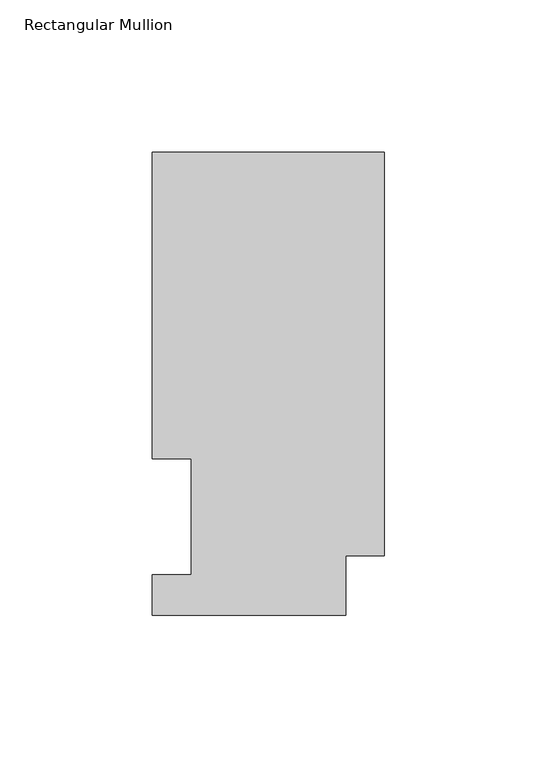
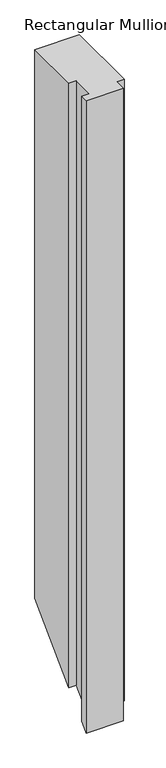
"""IFC4 building model written with IfcOpenShell, lengths in millimetres: member geometry, Rectangular Mullion."""

import ifcopenshell
import ifcopenshell.guid

model = None  # the IFC model being written
_history = None  # IfcOwnerHistory: only IFC2X3 demands one
_inside = {}  # id of a spatial element -> (the spatial element, [elements in it])
_under = {}  # id of a project, library or spatial element -> (it, [spatial elements below it])
_declared = {}  # id of a project -> (the project, [libraries it declares])
_typed = {}  # id of a type object -> (the type object, [elements of that type])
_made_of = {}  # id of a material, layer set ... -> (it, [elements and type objects made of it])


def new_model(schema):
    """Start an empty IFC model of exactly this schema.

    Asked for "IFC4X3", IfcOpenShell would pick the latest addendum, in which some entities
    have other attributes; the version numbers below select the first issue.
    IFC2X3 requires an IfcOwnerHistory on every rooted entity: one is made here for all.
    """
    global model, _history
    if schema == "IFC4X3":
        model = ifcopenshell.file(schema_version=(4, 3, 0, 0))
    else:
        model = ifcopenshell.file(schema=schema)
    _inside.clear()
    _under.clear()
    _declared.clear()
    _typed.clear()
    _made_of.clear()
    _history = None
    if model.schema == "IFC2X3":
        org = make("IfcOrganization", Name="unknown")
        user = make(
            "IfcPersonAndOrganization",
            ThePerson=make("IfcPerson", FamilyName="unknown"),
            TheOrganization=org,
        )
        app = make(
            "IfcApplication",
            ApplicationDeveloper=org,
            Version="unknown",
            ApplicationFullName="unknown",
            ApplicationIdentifier="unknown",
        )
        _history = make(
            "IfcOwnerHistory",
            OwningUser=user,
            OwningApplication=app,
            ChangeAction="ADDED",
            CreationDate=0,
        )
    return model


def make(cls, **values):
    """One entity of the class cls with the attributes given. An attribute that is None is left unset."""
    return model.create_entity(
        cls, **{name: value for name, value in values.items() if value is not None}
    )


def rooted(cls, **values):
    """An entity with a GlobalId (a new one), such as an element, a storey or a relation."""
    return make(cls, GlobalId=ifcopenshell.guid.new(), OwnerHistory=_history, **values)


def si_unit(unit_type, name, prefix=None):
    """IfcSIUnit, for example si_unit("LENGTHUNIT", "METRE", prefix="MILLI")."""
    return make("IfcSIUnit", UnitType=unit_type, Prefix=prefix, Name=name)


def assignment(units):
    """IfcUnitAssignment: the units of a project."""
    return None if units is None else make("IfcUnitAssignment", Units=units)


def point(xyz):
    """IfcCartesianPoint."""
    return None if xyz is None else make("IfcCartesianPoint", Coordinates=xyz)


def direction(xyz):
    """IfcDirection."""
    return None if xyz is None else make("IfcDirection", DirectionRatios=xyz)


def frame(location, z_axis=None, x_axis=None):
    """IfcAxis2Placement3D, a coordinate frame: its origin and axes. An axis left out is left unset."""
    return make(
        "IfcAxis2Placement3D",
        Location=point(location),
        Axis=direction(z_axis),
        RefDirection=direction(x_axis),
    )


def origin():
    """The frame at (0, 0, 0) with its axes left unset."""
    return frame((0.0, 0.0, 0.0))


def place(relative_to, where):
    """IfcLocalPlacement: puts the frame where relative to a parent placement (None: the world)."""
    return make(
        "IfcLocalPlacement", PlacementRelTo=relative_to, RelativePlacement=where
    )


def context(
    kind, dimensions, precision=None, world=None, true_north=None, identifier=None
):
    """IfcGeometricRepresentationContext, for example the 3D "Model" context."""
    return make(
        "IfcGeometricRepresentationContext",
        ContextIdentifier=identifier,
        ContextType=kind,
        CoordinateSpaceDimension=dimensions,
        Precision=precision,
        WorldCoordinateSystem=world,
        TrueNorth=true_north,
    )


def project(units=None, contexts=None):
    """IfcProject with its units and contexts."""
    return rooted(
        "IfcProject",
        Name="project",
        RepresentationContexts=contexts,
        UnitsInContext=assignment(units),
    )


def spatial(cls, under=None, at=None, **own):
    """A site, building, storey or space (cls), placed at a placement, below another one or the project."""
    s = rooted(cls, ObjectPlacement=at, **own)
    if under is not None:
        _under.setdefault(under.id(), (under, []))[1].append(s)
    return s


def faces_of(points, faces, orient=None, outer=None):
    """IfcFace entities. A face is a list of loops; a loop is a list of indices into points, from 0.

    orient and outer hold one flag for each loop. By default every Orientation is true, the
    first loop of a face is its IfcFaceOuterBound and the others are IfcFaceBound.
    """
    made = []
    for i, loops in enumerate(faces):
        bounds = []
        for j, loop in enumerate(loops):
            is_outer = j == 0 if outer is None else outer[i][j]
            bounds.append(
                make(
                    "IfcFaceOuterBound" if is_outer else "IfcFaceBound",
                    Bound=make("IfcPolyLoop", Polygon=[points[k] for k in loop]),
                    Orientation=True if orient is None else orient[i][j],
                )
            )
        made.append(make("IfcFace", Bounds=bounds))
    return made


def faceted_brep(points, faces, orient=None, outer=None, voids=None):
    """IfcFacetedBrep: a solid bounded by flat faces; with voids (closed shells), ...WithVoids."""
    shared = [point(p) for p in points]
    hull = make("IfcClosedShell", CfsFaces=faces_of(shared, faces, orient, outer))
    if voids is None:
        return make("IfcFacetedBrep", Outer=hull)
    return make(
        "IfcFacetedBrepWithVoids",
        Outer=hull,
        Voids=[
            make(cls, CfsFaces=faces_of(shared, fs, o, b)) for cls, fs, o, b in voids
        ],
    )


def shape(context_of_items, identifier, shape_type, items):
    """IfcShapeRepresentation: the items that make up one representation, for example the "Body"."""
    return make(
        "IfcShapeRepresentation",
        ContextOfItems=context_of_items,
        RepresentationIdentifier=identifier,
        RepresentationType=shape_type,
        Items=items,
    )


def source(mapping_origin, context_of_items, identifier, shape_type, items):
    """IfcRepresentationMap: a shape defined once, which mapped items show again and again."""
    return make(
        "IfcRepresentationMap",
        MappingOrigin=mapping_origin,
        MappedRepresentation=shape(context_of_items, identifier, shape_type, items),
    )


def transform(
    local_origin,
    x_axis=None,
    y_axis=None,
    z_axis=None,
    scale=None,
    scale2=None,
    scale3=None,
    uniform=True,
):
    """IfcCartesianTransformationOperator3D, or its non-uniform kind. x_axis, y_axis, z_axis: its Axis1, 2, 3."""
    if uniform:
        return make(
            "IfcCartesianTransformationOperator3D",
            Axis1=direction(x_axis),
            Axis2=direction(y_axis),
            LocalOrigin=point(local_origin),
            Scale=scale,
            Axis3=direction(z_axis),
        )
    return make(
        "IfcCartesianTransformationOperator3DnonUniform",
        Axis1=direction(x_axis),
        Axis2=direction(y_axis),
        LocalOrigin=point(local_origin),
        Scale=scale,
        Axis3=direction(z_axis),
        Scale2=scale2,
        Scale3=scale3,
    )


def mapped(mapping_source, mapping_target):
    """IfcMappedItem: shows the shape of a source again, moved by a transform."""
    return make(
        "IfcMappedItem", MappingSource=mapping_source, MappingTarget=mapping_target
    )


def made_of(thing, what):
    """Note that an element or type object is made of a material, layer set ...; save() writes the relation."""
    if what is not None:
        _made_of.setdefault(what.id(), (what, []))[1].append(thing)
    return thing


def element(
    cls,
    number,
    at=None,
    inside=None,
    cuts=None,
    type_object=None,
    material=None,
    context=None,
    identifier="Body",
    shape_type=None,
    held_by="IfcProductDefinitionShape",
    body=None,
    shapes=None,
    **own,
):
    """One element of the class cls, such as IfcWall. Its Tag is "e" and its number.

    at: its placement. inside: the storey or other place that contains it. cuts: it is an
    opening in that element (IfcRelVoidsElement). A single representation is given by context,
    identifier, shape_type and body (its items); several are given by shapes. held_by: the class
    of the entity that holds the representations. save() writes the other relations.
    """
    e = rooted(cls, Tag="e%d" % number, ObjectPlacement=at, **own)
    if body is not None:
        shapes = [shape(context, identifier, shape_type, body)]
    if shapes is not None:
        e.Representation = make(held_by, Representations=shapes)
    if inside is not None:
        _inside.setdefault(inside.id(), (inside, []))[1].append(e)
    if cuts is not None:
        rooted(
            "IfcRelVoidsElement", RelatingBuildingElement=cuts, RelatedOpeningElement=e
        )
    if type_object is not None:
        _typed.setdefault(type_object.id(), (type_object, []))[1].append(e)
    return made_of(e, material)


def aggregate(whole, parts):
    """IfcRelAggregates: a whole, such as a stair, and the parts it consists of."""
    return rooted("IfcRelAggregates", RelatingObject=whole, RelatedObjects=parts)


def save(model, path):
    """Write the relations noted so far, then the file.

    IfcRelAggregates (storeys below a building ...), IfcRelContainedInSpatialStructure (elements
    in a storey), IfcRelDefinesByType, IfcRelAssociatesMaterial and IfcRelDeclares: one each for
    every whole, place, type object, material and project.
    """
    for whole, parts in _under.values():
        aggregate(whole, parts)
    for where, things in _inside.values():
        rooted(
            "IfcRelContainedInSpatialStructure",
            RelatedElements=things,
            RelatingStructure=where,
        )
    for kind, things in _typed.values():
        rooted("IfcRelDefinesByType", RelatedObjects=things, RelatingType=kind)
    for what, things in _made_of.values():
        rooted("IfcRelAssociatesMaterial", RelatedObjects=things, RelatingMaterial=what)
    for by, libraries in _declared.values():
        rooted("IfcRelDeclares", RelatingContext=by, RelatedDefinitions=libraries)
    model.write(path)


def rectangular_mullion_92b961f1(model_context):
    return source(origin(), model_context, "Body", "Brep", [
        faceted_brep([(-76.2000004, 151.9054938, 0.0), (-76.2000004, 51.2960938, 0.0), (-63.4943324, 51.2960937, 0.0), (-63.4943324, 13.1960937, 0.0), (-76.1943324, 13.1960937, 0.0), (-76.1943324, 0.0134937, 0.0), (-12.7000004, 0.0134937, 0.0), (-12.7000004, 19.5460937, 0.0), (0.0, 19.5460937, 0.0), (0.0, 151.9054938, 0.0), (-76.2000004, 151.9054938, -991.108), (-76.2000004, 51.2960938, -1091.7174), (-63.4943324, 51.2960937, -1091.7174), (-63.4943324, 13.1960937, -1129.8174), (-76.1943324, 13.1960937, -1129.8174), (-76.1943324, 0.0134937, -1143.0), (-12.7000004, 0.0134937, -1143.0), (-12.7000004, 19.5460937, -1123.4674), (0.0, 19.5460937, -1123.4674), (0.0, 151.9054938, -991.108)], [[[0, 1, 2, 3, 4, 5, 6, 7, 8, 9]], [[1, 0, 10, 11]], [[2, 1, 11, 12]], [[3, 2, 12, 13]], [[4, 3, 13, 14]], [[5, 4, 14, 15]], [[6, 5, 15, 16]], [[7, 6, 16, 17]], [[8, 7, 17, 18]], [[9, 8, 18, 19]], [[0, 9, 19, 10]], [[10, 19, 18, 17, 16, 15, 14, 13, 12, 11]]]),
    ])


if __name__ == "__main__":
    model = new_model("IFC4")
    model_context = context("Model", 3, world=origin())
    ifc_project = project(units=[si_unit("LENGTHUNIT", "METRE", prefix="MILLI")], contexts=[model_context])
    site = spatial("IfcSite", under=ifc_project)
    building = spatial("IfcBuilding", under=site)
    placement = place(None, origin())
    rectangular_mullion_shape = rectangular_mullion_92b961f1(model_context)
    element("IfcMember", 1, ObjectType="Rectangular Mullion", at=placement, inside=building, context=model_context, shape_type="MappedRepresentation", body=[
        mapped(rectangular_mullion_shape, transform((0.0, 0.0, 0.0), x_axis=(1.0, 0.0, 0.0), y_axis=(0.0, 1.0, 0.0), z_axis=(0.0, 0.0, 1.0))),
    ])
    save(model, "model.ifc")
